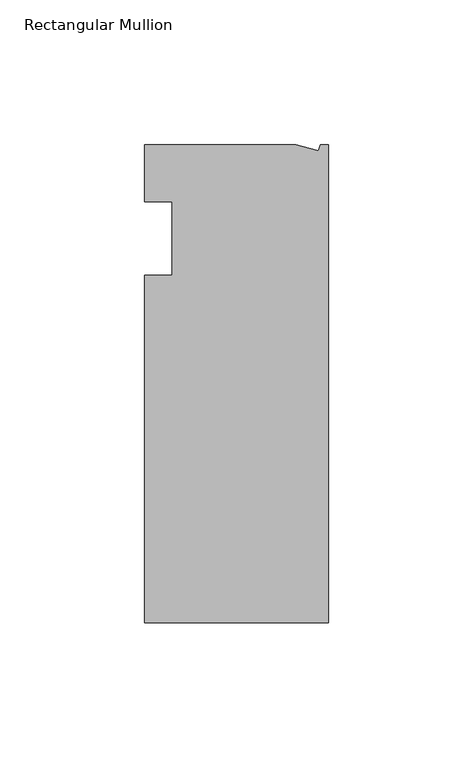
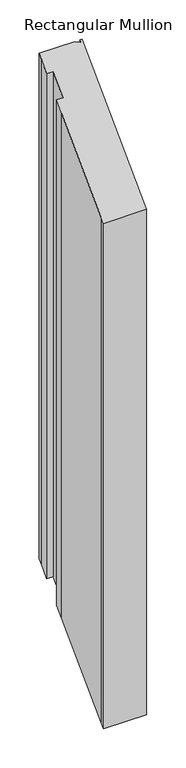
"""IFC4 building model written with IfcOpenShell, lengths in millimetres: member geometry, Rectangular Mullion."""

import ifcopenshell
import ifcopenshell.guid

model = None  # the IFC model being written
_history = None  # IfcOwnerHistory: only IFC2X3 demands one
_inside = {}  # id of a spatial element -> (the spatial element, [elements in it])
_under = {}  # id of a project, library or spatial element -> (it, [spatial elements below it])
_declared = {}  # id of a project -> (the project, [libraries it declares])
_typed = {}  # id of a type object -> (the type object, [elements of that type])
_made_of = {}  # id of a material, layer set ... -> (it, [elements and type objects made of it])


def new_model(schema):
    """Start an empty IFC model of exactly this schema.

    Asked for "IFC4X3", IfcOpenShell would pick the latest addendum, in which some entities
    have other attributes; the version numbers below select the first issue.
    IFC2X3 requires an IfcOwnerHistory on every rooted entity: one is made here for all.
    """
    global model, _history
    if schema == "IFC4X3":
        model = ifcopenshell.file(schema_version=(4, 3, 0, 0))
    else:
        model = ifcopenshell.file(schema=schema)
    _inside.clear()
    _under.clear()
    _declared.clear()
    _typed.clear()
    _made_of.clear()
    _history = None
    if model.schema == "IFC2X3":
        org = make("IfcOrganization", Name="unknown")
        user = make(
            "IfcPersonAndOrganization",
            ThePerson=make("IfcPerson", FamilyName="unknown"),
            TheOrganization=org,
        )
        app = make(
            "IfcApplication",
            ApplicationDeveloper=org,
            Version="unknown",
            ApplicationFullName="unknown",
            ApplicationIdentifier="unknown",
        )
        _history = make(
            "IfcOwnerHistory",
            OwningUser=user,
            OwningApplication=app,
            ChangeAction="ADDED",
            CreationDate=0,
        )
    return model


def make(cls, **values):
    """One entity of the class cls with the attributes given. An attribute that is None is left unset."""
    return model.create_entity(
        cls, **{name: value for name, value in values.items() if value is not None}
    )


def rooted(cls, **values):
    """An entity with a GlobalId (a new one), such as an element, a storey or a relation."""
    return make(cls, GlobalId=ifcopenshell.guid.new(), OwnerHistory=_history, **values)


def si_unit(unit_type, name, prefix=None):
    """IfcSIUnit, for example si_unit("LENGTHUNIT", "METRE", prefix="MILLI")."""
    return make("IfcSIUnit", UnitType=unit_type, Prefix=prefix, Name=name)


def assignment(units):
    """IfcUnitAssignment: the units of a project."""
    return None if units is None else make("IfcUnitAssignment", Units=units)


def point(xyz):
    """IfcCartesianPoint."""
    return None if xyz is None else make("IfcCartesianPoint", Coordinates=xyz)


def direction(xyz):
    """IfcDirection."""
    return None if xyz is None else make("IfcDirection", DirectionRatios=xyz)


def frame(location, z_axis=None, x_axis=None):
    """IfcAxis2Placement3D, a coordinate frame: its origin and axes. An axis left out is left unset."""
    return make(
        "IfcAxis2Placement3D",
        Location=point(location),
        Axis=direction(z_axis),
        RefDirection=direction(x_axis),
    )


def origin():
    """The frame at (0, 0, 0) with its axes left unset."""
    return frame((0.0, 0.0, 0.0))


def place(relative_to, where):
    """IfcLocalPlacement: puts the frame where relative to a parent placement (None: the world)."""
    return make(
        "IfcLocalPlacement", PlacementRelTo=relative_to, RelativePlacement=where
    )


def context(
    kind, dimensions, precision=None, world=None, true_north=None, identifier=None
):
    """IfcGeometricRepresentationContext, for example the 3D "Model" context."""
    return make(
        "IfcGeometricRepresentationContext",
        ContextIdentifier=identifier,
        ContextType=kind,
        CoordinateSpaceDimension=dimensions,
        Precision=precision,
        WorldCoordinateSystem=world,
        TrueNorth=true_north,
    )


def project(units=None, contexts=None):
    """IfcProject with its units and contexts."""
    return rooted(
        "IfcProject",
        Name="project",
        RepresentationContexts=contexts,
        UnitsInContext=assignment(units),
    )


def spatial(cls, under=None, at=None, **own):
    """A site, building, storey or space (cls), placed at a placement, below another one or the project."""
    s = rooted(cls, ObjectPlacement=at, **own)
    if under is not None:
        _under.setdefault(under.id(), (under, []))[1].append(s)
    return s


def faces_of(points, faces, orient=None, outer=None):
    """IfcFace entities. A face is a list of loops; a loop is a list of indices into points, from 0.

    orient and outer hold one flag for each loop. By default every Orientation is true, the
    first loop of a face is its IfcFaceOuterBound and the others are IfcFaceBound.
    """
    made = []
    for i, loops in enumerate(faces):
        bounds = []
        for j, loop in enumerate(loops):
            is_outer = j == 0 if outer is None else outer[i][j]
            bounds.append(
                make(
                    "IfcFaceOuterBound" if is_outer else "IfcFaceBound",
                    Bound=make("IfcPolyLoop", Polygon=[points[k] for k in loop]),
                    Orientation=True if orient is None else orient[i][j],
                )
            )
        made.append(make("IfcFace", Bounds=bounds))
    return made


def faceted_brep(points, faces, orient=None, outer=None, voids=None):
    """IfcFacetedBrep: a solid bounded by flat faces; with voids (closed shells), ...WithVoids."""
    shared = [point(p) for p in points]
    hull = make("IfcClosedShell", CfsFaces=faces_of(shared, faces, orient, outer))
    if voids is None:
        return make("IfcFacetedBrep", Outer=hull)
    return make(
        "IfcFacetedBrepWithVoids",
        Outer=hull,
        Voids=[
            make(cls, CfsFaces=faces_of(shared, fs, o, b)) for cls, fs, o, b in voids
        ],
    )


def shape(context_of_items, identifier, shape_type, items):
    """IfcShapeRepresentation: the items that make up one representation, for example the "Body"."""
    return make(
        "IfcShapeRepresentation",
        ContextOfItems=context_of_items,
        RepresentationIdentifier=identifier,
        RepresentationType=shape_type,
        Items=items,
    )


def source(mapping_origin, context_of_items, identifier, shape_type, items):
    """IfcRepresentationMap: a shape defined once, which mapped items show again and again."""
    return make(
        "IfcRepresentationMap",
        MappingOrigin=mapping_origin,
        MappedRepresentation=shape(context_of_items, identifier, shape_type, items),
    )


def transform(
    local_origin,
    x_axis=None,
    y_axis=None,
    z_axis=None,
    scale=None,
    scale2=None,
    scale3=None,
    uniform=True,
):
    """IfcCartesianTransformationOperator3D, or its non-uniform kind. x_axis, y_axis, z_axis: its Axis1, 2, 3."""
    if uniform:
        return make(
            "IfcCartesianTransformationOperator3D",
            Axis1=direction(x_axis),
            Axis2=direction(y_axis),
            LocalOrigin=point(local_origin),
            Scale=scale,
            Axis3=direction(z_axis),
        )
    return make(
        "IfcCartesianTransformationOperator3DnonUniform",
        Axis1=direction(x_axis),
        Axis2=direction(y_axis),
        LocalOrigin=point(local_origin),
        Scale=scale,
        Axis3=direction(z_axis),
        Scale2=scale2,
        Scale3=scale3,
    )


def mapped(mapping_source, mapping_target):
    """IfcMappedItem: shows the shape of a source again, moved by a transform."""
    return make(
        "IfcMappedItem", MappingSource=mapping_source, MappingTarget=mapping_target
    )


def made_of(thing, what):
    """Note that an element or type object is made of a material, layer set ...; save() writes the relation."""
    if what is not None:
        _made_of.setdefault(what.id(), (what, []))[1].append(thing)
    return thing


def element(
    cls,
    number,
    at=None,
    inside=None,
    cuts=None,
    type_object=None,
    material=None,
    context=None,
    identifier="Body",
    shape_type=None,
    held_by="IfcProductDefinitionShape",
    body=None,
    shapes=None,
    **own,
):
    """One element of the class cls, such as IfcWall. Its Tag is "e" and its number.

    at: its placement. inside: the storey or other place that contains it. cuts: it is an
    opening in that element (IfcRelVoidsElement). A single representation is given by context,
    identifier, shape_type and body (its items); several are given by shapes. held_by: the class
    of the entity that holds the representations. save() writes the other relations.
    """
    e = rooted(cls, Tag="e%d" % number, ObjectPlacement=at, **own)
    if body is not None:
        shapes = [shape(context, identifier, shape_type, body)]
    if shapes is not None:
        e.Representation = make(held_by, Representations=shapes)
    if inside is not None:
        _inside.setdefault(inside.id(), (inside, []))[1].append(e)
    if cuts is not None:
        rooted(
            "IfcRelVoidsElement", RelatingBuildingElement=cuts, RelatedOpeningElement=e
        )
    if type_object is not None:
        _typed.setdefault(type_object.id(), (type_object, []))[1].append(e)
    return made_of(e, material)


def aggregate(whole, parts):
    """IfcRelAggregates: a whole, such as a stair, and the parts it consists of."""
    return rooted("IfcRelAggregates", RelatingObject=whole, RelatedObjects=parts)


def save(model, path):
    """Write the relations noted so far, then the file.

    IfcRelAggregates (storeys below a building ...), IfcRelContainedInSpatialStructure (elements
    in a storey), IfcRelDefinesByType, IfcRelAssociatesMaterial and IfcRelDeclares: one each for
    every whole, place, type object, material and project.
    """
    for whole, parts in _under.values():
        aggregate(whole, parts)
    for where, things in _inside.values():
        rooted(
            "IfcRelContainedInSpatialStructure",
            RelatedElements=things,
            RelatingStructure=where,
        )
    for kind, things in _typed.values():
        rooted("IfcRelDefinesByType", RelatedObjects=things, RelatingType=kind)
    for what, things in _made_of.values():
        rooted("IfcRelAssociatesMaterial", RelatedObjects=things, RelatingMaterial=what)
    for by, libraries in _declared.values():
        rooted("IfcRelDeclares", RelatingContext=by, RelatedDefinitions=libraries)
    model.write(path)


def rectangular_mullion_ddc3f846(model_context):
    return source(origin(), model_context, "Body", "Brep", [
        faceted_brep([(-63.5, 19.6597595, 19.6597595), (-11.1265412, 19.6597595, 19.6597595), (-11.1265412, 19.6597595, -767.7402405), (-63.5, 19.6597595, -767.7402405), (-63.5, 0.0, 0.0), (-63.5, 13.6200033, 13.6200033), (-63.5, 13.6200033, -773.7799967), (-63.5, 0.0, -787.4), (-53.975, 0.0, 0.0), (-53.975, 0.0, -787.4), (-53.975, -25.4, -25.4), (-53.975, -25.4, -812.8), (-63.5, -25.4, -25.4), (-63.5, -25.4, -812.8), (-63.5, -139.091245, -139.091245), (-63.5, -38.3358837, -38.3358837), (-63.5, -38.3358837, -825.7358837), (-63.5, -139.091245, -926.491245), (0.0, -145.4402405, -145.4402405), (-63.5, -145.4402405, -145.4402405), (-63.5, -145.4402405, -932.8402405), (0.0, -145.4402405, -932.8402405), (0.0, 19.6597595, 19.6597595), (0.0, 19.6597595, -767.7402405), (-2.787084, 19.6597595, 19.6597595), (-2.787084, 19.6597595, -767.7402405), (-3.3457217, 17.5748952, 17.5748952), (-3.3457217, 17.5748952, -769.8251048)], [[[0, 1, 2, 3]], [[4, 5, 6, 7]], [[8, 4, 7, 9]], [[10, 8, 9, 11]], [[12, 10, 11, 13]], [[14, 15, 16, 17]], [[18, 19, 20, 21]], [[22, 18, 21, 23]], [[24, 22, 23, 25]], [[26, 24, 25, 27]], [[1, 26, 27, 2]], [[1, 0, 5, 4, 8, 10, 12, 15, 14, 19, 18, 22, 24, 26]], [[2, 27, 25, 23, 21, 20, 17, 16, 13, 11, 9, 7, 6, 3]], [[19, 14, 17, 20]], [[5, 0, 3, 6]], [[15, 12, 13, 16]]]),
    ])


if __name__ == "__main__":
    model = new_model("IFC4")
    model_context = context("Model", 3, world=origin())
    ifc_project = project(units=[si_unit("LENGTHUNIT", "METRE", prefix="MILLI")], contexts=[model_context])
    site = spatial("IfcSite", under=ifc_project)
    building = spatial("IfcBuilding", under=site)
    placement = place(None, origin())
    rectangular_mullion_shape = rectangular_mullion_ddc3f846(model_context)
    element("IfcMember", 1, ObjectType="Rectangular Mullion", at=placement, inside=building, context=model_context, shape_type="MappedRepresentation", body=[
        mapped(rectangular_mullion_shape, transform((0.0, 0.0, 0.0), x_axis=(1.0, 0.0, 0.0), y_axis=(0.0, 1.0, 0.0), z_axis=(0.0, 0.0, 1.0))),
    ])
    save(model, "model.ifc")
